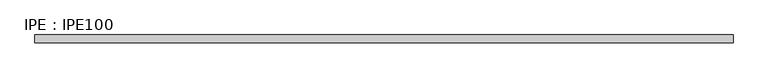
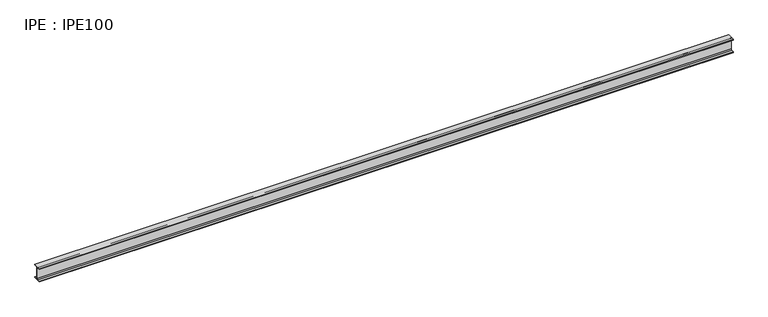
"""IFC4 building model written with IfcOpenShell, lengths in millimetres: beam geometry, IPE : IPE100."""

from ifc_helpers import new_model, si_unit, point, frame, frame_2d, origin, place, context, project, spatial, polyline, circle_curve, trimmed, segment, composite_curve, outline, extrude, source, transform, mapped, element, save


def ipe_ipe100_30f98f91(model_context):
    return source(origin(), model_context, "Body", "SweptSolid", [
        extrude(outline(composite_curve([segment(polyline([(27.5, -44.3), (27.5, -50.0), (-27.5, -50.0), (-27.5, -44.3), (-9.05, -44.3)]), True, "CONTINUOUS"), segment(trimmed(circle_curve(frame_2d((-9.05, -37.3)), 7.0), [point((-9.05, -44.3))], [point((-2.05, -37.3))], True, "CARTESIAN"), True, "CONTINUOUS"), segment(polyline([(-2.05, -37.3), (-2.05, 37.3)]), True, "CONTINUOUS"), segment(trimmed(circle_curve(frame_2d((-9.05, 37.3)), 7.0), [point((-2.05, 37.3))], [point((-9.05, 44.3))], True, "CARTESIAN"), True, "CONTINUOUS"), segment(polyline([(-9.05, 44.3), (-27.5, 44.3), (-27.5, 50.0), (27.5, 50.0), (27.5, 44.3), (9.05, 44.3)]), True, "CONTINUOUS"), segment(trimmed(circle_curve(frame_2d((9.05, 37.3)), 7.0), [point((9.05, 44.3))], [point((2.05, 37.3))], True, "CARTESIAN"), True, "CONTINUOUS"), segment(polyline([(2.05, 37.3), (2.05, -37.3)]), True, "CONTINUOUS"), segment(trimmed(circle_curve(frame_2d((9.05, -37.3)), 7.0), [point((2.05, -37.3))], [point((9.05, -44.3))], True, "CARTESIAN"), True, "CONTINUOUS"), segment(polyline([(9.05, -44.3), (27.5, -44.3)]), True, "CONTINUOUS")], self_intersect=False)), frame((-2497.8, 0.0, 0.0), z_axis=(1.0, 0.0, 0.0), x_axis=(0.0, 1.0, 0.0)), (0.0, 0.0, 1.0), 4964.7),
    ])


if __name__ == "__main__":
    model = new_model("IFC4")
    model_context = context("Model", 3, world=origin())
    ifc_project = project(units=[si_unit("LENGTHUNIT", "METRE", prefix="MILLI")], contexts=[model_context])
    site = spatial("IfcSite", under=ifc_project)
    building = spatial("IfcBuilding", under=site)
    placement = place(None, origin())
    ipe_ipe100_shape = ipe_ipe100_30f98f91(model_context)
    element("IfcBeam", 1, ObjectType="IPE : IPE100", at=placement, inside=building, context=model_context, shape_type="MappedRepresentation", body=[
        mapped(ipe_ipe100_shape, transform((0.0, 0.0, 0.0), x_axis=(1.0, 0.0, 0.0), y_axis=(0.0, 1.0, 0.0), z_axis=(0.0, 0.0, 1.0))),
    ])
    save(model, "model.ifc")
